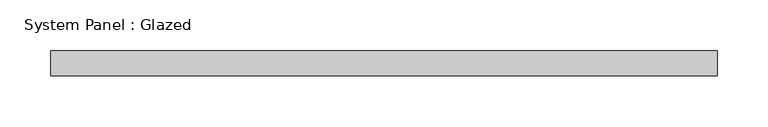
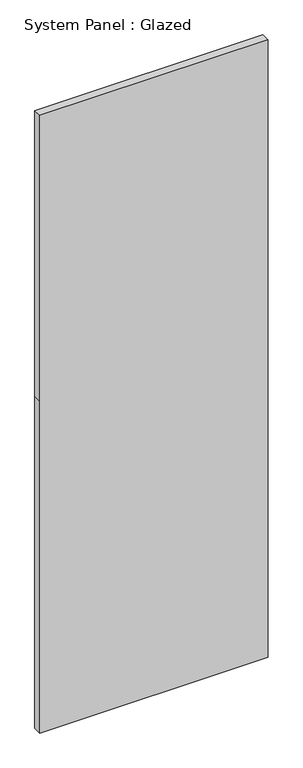
"""IFC4 building model written with IfcOpenShell, lengths in millimetres: plate geometry, System Panel : Glazed."""

import ifcopenshell
import ifcopenshell.guid

model = None  # the IFC model being written
_history = None  # IfcOwnerHistory: only IFC2X3 demands one
_inside = {}  # id of a spatial element -> (the spatial element, [elements in it])
_under = {}  # id of a project, library or spatial element -> (it, [spatial elements below it])
_declared = {}  # id of a project -> (the project, [libraries it declares])
_typed = {}  # id of a type object -> (the type object, [elements of that type])
_made_of = {}  # id of a material, layer set ... -> (it, [elements and type objects made of it])


def new_model(schema):
    """Start an empty IFC model of exactly this schema.

    Asked for "IFC4X3", IfcOpenShell would pick the latest addendum, in which some entities
    have other attributes; the version numbers below select the first issue.
    IFC2X3 requires an IfcOwnerHistory on every rooted entity: one is made here for all.
    """
    global model, _history
    if schema == "IFC4X3":
        model = ifcopenshell.file(schema_version=(4, 3, 0, 0))
    else:
        model = ifcopenshell.file(schema=schema)
    _inside.clear()
    _under.clear()
    _declared.clear()
    _typed.clear()
    _made_of.clear()
    _history = None
    if model.schema == "IFC2X3":
        org = make("IfcOrganization", Name="unknown")
        user = make(
            "IfcPersonAndOrganization",
            ThePerson=make("IfcPerson", FamilyName="unknown"),
            TheOrganization=org,
        )
        app = make(
            "IfcApplication",
            ApplicationDeveloper=org,
            Version="unknown",
            ApplicationFullName="unknown",
            ApplicationIdentifier="unknown",
        )
        _history = make(
            "IfcOwnerHistory",
            OwningUser=user,
            OwningApplication=app,
            ChangeAction="ADDED",
            CreationDate=0,
        )
    return model


def make(cls, **values):
    """One entity of the class cls with the attributes given. An attribute that is None is left unset."""
    return model.create_entity(
        cls, **{name: value for name, value in values.items() if value is not None}
    )


def rooted(cls, **values):
    """An entity with a GlobalId (a new one), such as an element, a storey or a relation."""
    return make(cls, GlobalId=ifcopenshell.guid.new(), OwnerHistory=_history, **values)


def si_unit(unit_type, name, prefix=None):
    """IfcSIUnit, for example si_unit("LENGTHUNIT", "METRE", prefix="MILLI")."""
    return make("IfcSIUnit", UnitType=unit_type, Prefix=prefix, Name=name)


def assignment(units):
    """IfcUnitAssignment: the units of a project."""
    return None if units is None else make("IfcUnitAssignment", Units=units)


def point(xyz):
    """IfcCartesianPoint."""
    return None if xyz is None else make("IfcCartesianPoint", Coordinates=xyz)


def direction(xyz):
    """IfcDirection."""
    return None if xyz is None else make("IfcDirection", DirectionRatios=xyz)


def frame(location, z_axis=None, x_axis=None):
    """IfcAxis2Placement3D, a coordinate frame: its origin and axes. An axis left out is left unset."""
    return make(
        "IfcAxis2Placement3D",
        Location=point(location),
        Axis=direction(z_axis),
        RefDirection=direction(x_axis),
    )


def origin():
    """The frame at (0, 0, 0) with its axes left unset."""
    return frame((0.0, 0.0, 0.0))


def place(relative_to, where):
    """IfcLocalPlacement: puts the frame where relative to a parent placement (None: the world)."""
    return make(
        "IfcLocalPlacement", PlacementRelTo=relative_to, RelativePlacement=where
    )


def context(
    kind, dimensions, precision=None, world=None, true_north=None, identifier=None
):
    """IfcGeometricRepresentationContext, for example the 3D "Model" context."""
    return make(
        "IfcGeometricRepresentationContext",
        ContextIdentifier=identifier,
        ContextType=kind,
        CoordinateSpaceDimension=dimensions,
        Precision=precision,
        WorldCoordinateSystem=world,
        TrueNorth=true_north,
    )


def project(units=None, contexts=None):
    """IfcProject with its units and contexts."""
    return rooted(
        "IfcProject",
        Name="project",
        RepresentationContexts=contexts,
        UnitsInContext=assignment(units),
    )


def spatial(cls, under=None, at=None, **own):
    """A site, building, storey or space (cls), placed at a placement, below another one or the project."""
    s = rooted(cls, ObjectPlacement=at, **own)
    if under is not None:
        _under.setdefault(under.id(), (under, []))[1].append(s)
    return s


def polyline(points):
    """IfcPolyline through the points."""
    return make("IfcPolyline", Points=[point(p) for p in points])


def outline(outer, holes=None, kind="AREA"):
    """IfcArbitraryClosedProfileDef: a profile drawn as a closed curve; with holes, ...WithVoids."""
    if holes is None:
        return make("IfcArbitraryClosedProfileDef", ProfileType=kind, OuterCurve=outer)
    return make(
        "IfcArbitraryProfileDefWithVoids",
        ProfileType=kind,
        OuterCurve=outer,
        InnerCurves=holes,
    )


def extrude(swept, where, along, depth):
    """IfcExtrudedAreaSolid: the profile swept, set in the frame where, extruded along a direction by depth."""
    return make(
        "IfcExtrudedAreaSolid",
        SweptArea=swept,
        Position=where,
        ExtrudedDirection=direction(along),
        Depth=depth,
    )


def shape(context_of_items, identifier, shape_type, items):
    """IfcShapeRepresentation: the items that make up one representation, for example the "Body"."""
    return make(
        "IfcShapeRepresentation",
        ContextOfItems=context_of_items,
        RepresentationIdentifier=identifier,
        RepresentationType=shape_type,
        Items=items,
    )


def source(mapping_origin, context_of_items, identifier, shape_type, items):
    """IfcRepresentationMap: a shape defined once, which mapped items show again and again."""
    return make(
        "IfcRepresentationMap",
        MappingOrigin=mapping_origin,
        MappedRepresentation=shape(context_of_items, identifier, shape_type, items),
    )


def transform(
    local_origin,
    x_axis=None,
    y_axis=None,
    z_axis=None,
    scale=None,
    scale2=None,
    scale3=None,
    uniform=True,
):
    """IfcCartesianTransformationOperator3D, or its non-uniform kind. x_axis, y_axis, z_axis: its Axis1, 2, 3."""
    if uniform:
        return make(
            "IfcCartesianTransformationOperator3D",
            Axis1=direction(x_axis),
            Axis2=direction(y_axis),
            LocalOrigin=point(local_origin),
            Scale=scale,
            Axis3=direction(z_axis),
        )
    return make(
        "IfcCartesianTransformationOperator3DnonUniform",
        Axis1=direction(x_axis),
        Axis2=direction(y_axis),
        LocalOrigin=point(local_origin),
        Scale=scale,
        Axis3=direction(z_axis),
        Scale2=scale2,
        Scale3=scale3,
    )


def mapped(mapping_source, mapping_target):
    """IfcMappedItem: shows the shape of a source again, moved by a transform."""
    return make(
        "IfcMappedItem", MappingSource=mapping_source, MappingTarget=mapping_target
    )


def made_of(thing, what):
    """Note that an element or type object is made of a material, layer set ...; save() writes the relation."""
    if what is not None:
        _made_of.setdefault(what.id(), (what, []))[1].append(thing)
    return thing


def element(
    cls,
    number,
    at=None,
    inside=None,
    cuts=None,
    type_object=None,
    material=None,
    context=None,
    identifier="Body",
    shape_type=None,
    held_by="IfcProductDefinitionShape",
    body=None,
    shapes=None,
    **own,
):
    """One element of the class cls, such as IfcWall. Its Tag is "e" and its number.

    at: its placement. inside: the storey or other place that contains it. cuts: it is an
    opening in that element (IfcRelVoidsElement). A single representation is given by context,
    identifier, shape_type and body (its items); several are given by shapes. held_by: the class
    of the entity that holds the representations. save() writes the other relations.
    """
    e = rooted(cls, Tag="e%d" % number, ObjectPlacement=at, **own)
    if body is not None:
        shapes = [shape(context, identifier, shape_type, body)]
    if shapes is not None:
        e.Representation = make(held_by, Representations=shapes)
    if inside is not None:
        _inside.setdefault(inside.id(), (inside, []))[1].append(e)
    if cuts is not None:
        rooted(
            "IfcRelVoidsElement", RelatingBuildingElement=cuts, RelatedOpeningElement=e
        )
    if type_object is not None:
        _typed.setdefault(type_object.id(), (type_object, []))[1].append(e)
    return made_of(e, material)


def aggregate(whole, parts):
    """IfcRelAggregates: a whole, such as a stair, and the parts it consists of."""
    return rooted("IfcRelAggregates", RelatingObject=whole, RelatedObjects=parts)


def save(model, path):
    """Write the relations noted so far, then the file.

    IfcRelAggregates (storeys below a building ...), IfcRelContainedInSpatialStructure (elements
    in a storey), IfcRelDefinesByType, IfcRelAssociatesMaterial and IfcRelDeclares: one each for
    every whole, place, type object, material and project.
    """
    for whole, parts in _under.values():
        aggregate(whole, parts)
    for where, things in _inside.values():
        rooted(
            "IfcRelContainedInSpatialStructure",
            RelatedElements=things,
            RelatingStructure=where,
        )
    for kind, things in _typed.values():
        rooted("IfcRelDefinesByType", RelatedObjects=things, RelatingType=kind)
    for what, things in _made_of.values():
        rooted("IfcRelAssociatesMaterial", RelatedObjects=things, RelatingMaterial=what)
    for by, libraries in _declared.values():
        rooted("IfcRelDeclares", RelatingContext=by, RelatedDefinitions=libraries)
    model.write(path)


def system_panel_glazed_300275d6(model_context):
    return source(origin(), model_context, "Body", "SweptSolid", [
        extrude(outline(polyline([(0.0, -329.5), (0.0, 329.5), (1013.3333333, 329.5), (1885.0, 329.5), (1885.0, -329.5), (1013.3333333, -329.5), (0.0, -329.5)])), frame((0.0, -49.5, 0.0), z_axis=(0.0, 1.0, 0.0), x_axis=(0.0, 0.0, 1.0)), (0.0, 0.0, 1.0), 25.0),
    ])


if __name__ == "__main__":
    model = new_model("IFC4")
    model_context = context("Model", 3, world=origin())
    ifc_project = project(units=[si_unit("LENGTHUNIT", "METRE", prefix="MILLI")], contexts=[model_context])
    site = spatial("IfcSite", under=ifc_project)
    building = spatial("IfcBuilding", under=site)
    placement = place(None, origin())
    system_panel_glazed_shape = system_panel_glazed_300275d6(model_context)
    element("IfcPlate", 1, ObjectType="System Panel : Glazed", at=placement, inside=building, context=model_context, shape_type="MappedRepresentation", body=[
        mapped(system_panel_glazed_shape, transform((0.0, 0.0, 0.0), x_axis=(1.0, 0.0, 0.0), y_axis=(0.0, 1.0, 0.0), z_axis=(0.0, 0.0, 1.0))),
    ])
    save(model, "model.ifc")
